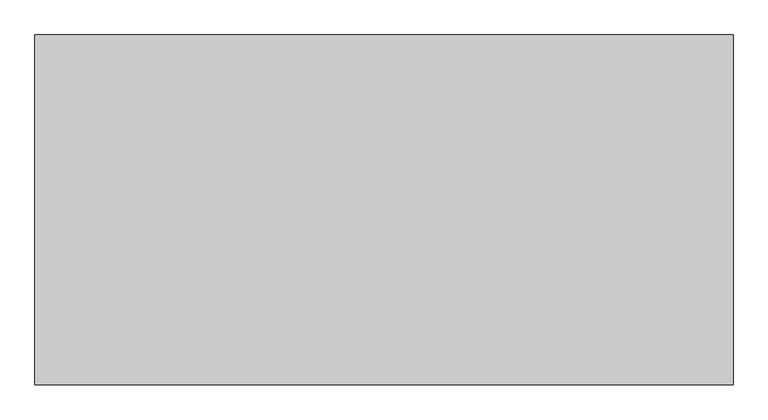
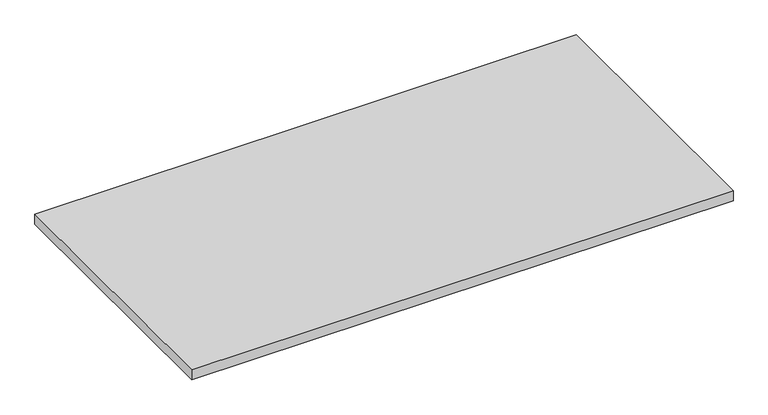
"""IFC4 building model written with IfcOpenShell, lengths in millimetres: furniture geometry."""

from ifc_helpers import new_model, si_unit, frame, origin, place, context, project, spatial, polyline, outline, extrude, source, transform, mapped, element, save


def furniture_95bb9c1f(model_context):
    return source(origin(), model_context, "Body", "SweptSolid", [
        extrude(outline(polyline([(0.0, 0.0), (1520.825, 0.0), (1520.825, -762.0), (0.0, -762.0), (0.0, 0.0)])), frame((0.0, 0.0, 694.3100183), z_axis=(0.0, 0.0, 1.0), x_axis=(1.0, 0.0, 0.0)), (0.0, 0.0, 1.0), 29.5899817),
    ])


if __name__ == "__main__":
    model = new_model("IFC4")
    model_context = context("Model", 3, world=origin())
    ifc_project = project(units=[si_unit("LENGTHUNIT", "METRE", prefix="MILLI")], contexts=[model_context])
    site = spatial("IfcSite", under=ifc_project)
    building = spatial("IfcBuilding", under=site)
    placement = place(None, origin())
    furniture_shape = furniture_95bb9c1f(model_context)
    element("IfcFurniture", 1, at=placement, inside=building, context=model_context, shape_type="MappedRepresentation", body=[
        mapped(furniture_shape, transform((0.0, 0.0, 0.0), x_axis=(1.0, 0.0, 0.0), y_axis=(0.0, 1.0, 0.0), z_axis=(0.0, 0.0, 1.0))),
    ])
    save(model, "model.ifc")
